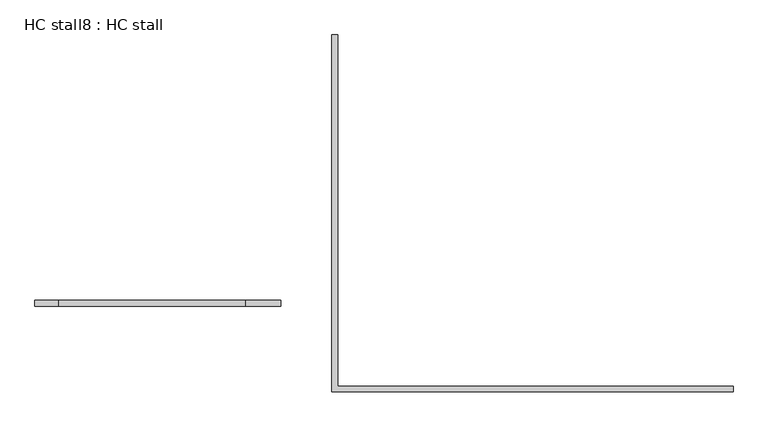
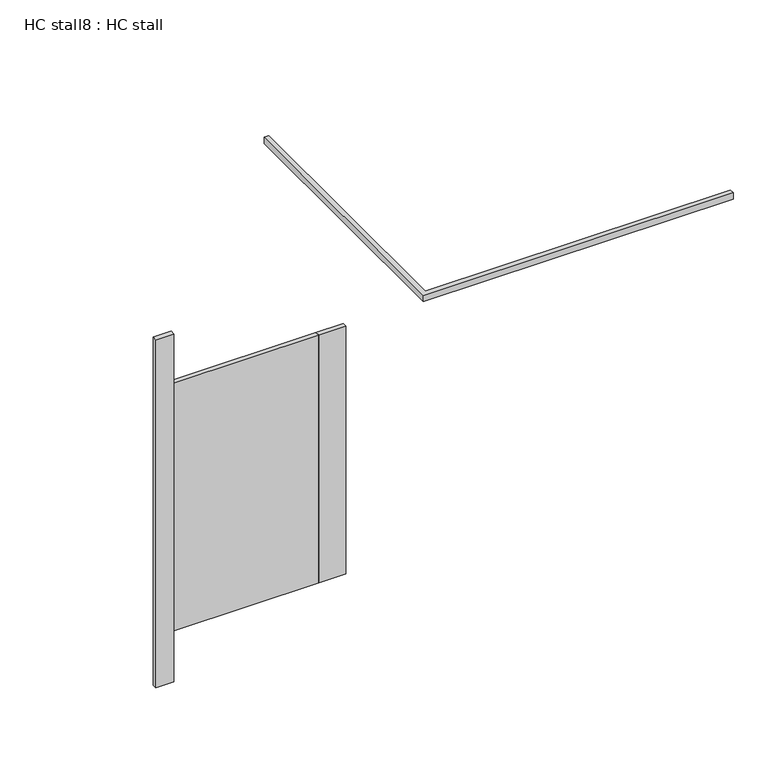
"""IFC4 building model written with IfcOpenShell, lengths in millimetres: proxy geometry, HC stall8 : HC stall."""

import ifcopenshell
import ifcopenshell.guid

model = None  # the IFC model being written
_history = None  # IfcOwnerHistory: only IFC2X3 demands one
_inside = {}  # id of a spatial element -> (the spatial element, [elements in it])
_under = {}  # id of a project, library or spatial element -> (it, [spatial elements below it])
_declared = {}  # id of a project -> (the project, [libraries it declares])
_typed = {}  # id of a type object -> (the type object, [elements of that type])
_made_of = {}  # id of a material, layer set ... -> (it, [elements and type objects made of it])


def new_model(schema):
    """Start an empty IFC model of exactly this schema.

    Asked for "IFC4X3", IfcOpenShell would pick the latest addendum, in which some entities
    have other attributes; the version numbers below select the first issue.
    IFC2X3 requires an IfcOwnerHistory on every rooted entity: one is made here for all.
    """
    global model, _history
    if schema == "IFC4X3":
        model = ifcopenshell.file(schema_version=(4, 3, 0, 0))
    else:
        model = ifcopenshell.file(schema=schema)
    _inside.clear()
    _under.clear()
    _declared.clear()
    _typed.clear()
    _made_of.clear()
    _history = None
    if model.schema == "IFC2X3":
        org = make("IfcOrganization", Name="unknown")
        user = make(
            "IfcPersonAndOrganization",
            ThePerson=make("IfcPerson", FamilyName="unknown"),
            TheOrganization=org,
        )
        app = make(
            "IfcApplication",
            ApplicationDeveloper=org,
            Version="unknown",
            ApplicationFullName="unknown",
            ApplicationIdentifier="unknown",
        )
        _history = make(
            "IfcOwnerHistory",
            OwningUser=user,
            OwningApplication=app,
            ChangeAction="ADDED",
            CreationDate=0,
        )
    return model


def make(cls, **values):
    """One entity of the class cls with the attributes given. An attribute that is None is left unset."""
    return model.create_entity(
        cls, **{name: value for name, value in values.items() if value is not None}
    )


def rooted(cls, **values):
    """An entity with a GlobalId (a new one), such as an element, a storey or a relation."""
    return make(cls, GlobalId=ifcopenshell.guid.new(), OwnerHistory=_history, **values)


def si_unit(unit_type, name, prefix=None):
    """IfcSIUnit, for example si_unit("LENGTHUNIT", "METRE", prefix="MILLI")."""
    return make("IfcSIUnit", UnitType=unit_type, Prefix=prefix, Name=name)


def assignment(units):
    """IfcUnitAssignment: the units of a project."""
    return None if units is None else make("IfcUnitAssignment", Units=units)


def point(xyz):
    """IfcCartesianPoint."""
    return None if xyz is None else make("IfcCartesianPoint", Coordinates=xyz)


def direction(xyz):
    """IfcDirection."""
    return None if xyz is None else make("IfcDirection", DirectionRatios=xyz)


def frame(location, z_axis=None, x_axis=None):
    """IfcAxis2Placement3D, a coordinate frame: its origin and axes. An axis left out is left unset."""
    return make(
        "IfcAxis2Placement3D",
        Location=point(location),
        Axis=direction(z_axis),
        RefDirection=direction(x_axis),
    )


def origin():
    """The frame at (0, 0, 0) with its axes left unset."""
    return frame((0.0, 0.0, 0.0))


def origin_with_axes():
    """The frame at (0, 0, 0) with the z axis (0, 0, 1) and the x axis (1, 0, 0) written out."""
    return frame((0.0, 0.0, 0.0), z_axis=(0.0, 0.0, 1.0), x_axis=(1.0, 0.0, 0.0))


def place(relative_to, where):
    """IfcLocalPlacement: puts the frame where relative to a parent placement (None: the world)."""
    return make(
        "IfcLocalPlacement", PlacementRelTo=relative_to, RelativePlacement=where
    )


def context(
    kind, dimensions, precision=None, world=None, true_north=None, identifier=None
):
    """IfcGeometricRepresentationContext, for example the 3D "Model" context."""
    return make(
        "IfcGeometricRepresentationContext",
        ContextIdentifier=identifier,
        ContextType=kind,
        CoordinateSpaceDimension=dimensions,
        Precision=precision,
        WorldCoordinateSystem=world,
        TrueNorth=true_north,
    )


def project(units=None, contexts=None):
    """IfcProject with its units and contexts."""
    return rooted(
        "IfcProject",
        Name="project",
        RepresentationContexts=contexts,
        UnitsInContext=assignment(units),
    )


def spatial(cls, under=None, at=None, **own):
    """A site, building, storey or space (cls), placed at a placement, below another one or the project."""
    s = rooted(cls, ObjectPlacement=at, **own)
    if under is not None:
        _under.setdefault(under.id(), (under, []))[1].append(s)
    return s


def polyline(points):
    """IfcPolyline through the points."""
    return make("IfcPolyline", Points=[point(p) for p in points])


def outline(outer, holes=None, kind="AREA"):
    """IfcArbitraryClosedProfileDef: a profile drawn as a closed curve; with holes, ...WithVoids."""
    if holes is None:
        return make("IfcArbitraryClosedProfileDef", ProfileType=kind, OuterCurve=outer)
    return make(
        "IfcArbitraryProfileDefWithVoids",
        ProfileType=kind,
        OuterCurve=outer,
        InnerCurves=holes,
    )


def extrude(swept, where, along, depth):
    """IfcExtrudedAreaSolid: the profile swept, set in the frame where, extruded along a direction by depth."""
    return make(
        "IfcExtrudedAreaSolid",
        SweptArea=swept,
        Position=where,
        ExtrudedDirection=direction(along),
        Depth=depth,
    )


def shape(context_of_items, identifier, shape_type, items):
    """IfcShapeRepresentation: the items that make up one representation, for example the "Body"."""
    return make(
        "IfcShapeRepresentation",
        ContextOfItems=context_of_items,
        RepresentationIdentifier=identifier,
        RepresentationType=shape_type,
        Items=items,
    )


def source(mapping_origin, context_of_items, identifier, shape_type, items):
    """IfcRepresentationMap: a shape defined once, which mapped items show again and again."""
    return make(
        "IfcRepresentationMap",
        MappingOrigin=mapping_origin,
        MappedRepresentation=shape(context_of_items, identifier, shape_type, items),
    )


def transform(
    local_origin,
    x_axis=None,
    y_axis=None,
    z_axis=None,
    scale=None,
    scale2=None,
    scale3=None,
    uniform=True,
):
    """IfcCartesianTransformationOperator3D, or its non-uniform kind. x_axis, y_axis, z_axis: its Axis1, 2, 3."""
    if uniform:
        return make(
            "IfcCartesianTransformationOperator3D",
            Axis1=direction(x_axis),
            Axis2=direction(y_axis),
            LocalOrigin=point(local_origin),
            Scale=scale,
            Axis3=direction(z_axis),
        )
    return make(
        "IfcCartesianTransformationOperator3DnonUniform",
        Axis1=direction(x_axis),
        Axis2=direction(y_axis),
        LocalOrigin=point(local_origin),
        Scale=scale,
        Axis3=direction(z_axis),
        Scale2=scale2,
        Scale3=scale3,
    )


def mapped(mapping_source, mapping_target):
    """IfcMappedItem: shows the shape of a source again, moved by a transform."""
    return make(
        "IfcMappedItem", MappingSource=mapping_source, MappingTarget=mapping_target
    )


def made_of(thing, what):
    """Note that an element or type object is made of a material, layer set ...; save() writes the relation."""
    if what is not None:
        _made_of.setdefault(what.id(), (what, []))[1].append(thing)
    return thing


def element(
    cls,
    number,
    at=None,
    inside=None,
    cuts=None,
    type_object=None,
    material=None,
    context=None,
    identifier="Body",
    shape_type=None,
    held_by="IfcProductDefinitionShape",
    body=None,
    shapes=None,
    **own,
):
    """One element of the class cls, such as IfcWall. Its Tag is "e" and its number.

    at: its placement. inside: the storey or other place that contains it. cuts: it is an
    opening in that element (IfcRelVoidsElement). A single representation is given by context,
    identifier, shape_type and body (its items); several are given by shapes. held_by: the class
    of the entity that holds the representations. save() writes the other relations.
    """
    e = rooted(cls, Tag="e%d" % number, ObjectPlacement=at, **own)
    if body is not None:
        shapes = [shape(context, identifier, shape_type, body)]
    if shapes is not None:
        e.Representation = make(held_by, Representations=shapes)
    if inside is not None:
        _inside.setdefault(inside.id(), (inside, []))[1].append(e)
    if cuts is not None:
        rooted(
            "IfcRelVoidsElement", RelatingBuildingElement=cuts, RelatedOpeningElement=e
        )
    if type_object is not None:
        _typed.setdefault(type_object.id(), (type_object, []))[1].append(e)
    return made_of(e, material)


def aggregate(whole, parts):
    """IfcRelAggregates: a whole, such as a stair, and the parts it consists of."""
    return rooted("IfcRelAggregates", RelatingObject=whole, RelatedObjects=parts)


def save(model, path):
    """Write the relations noted so far, then the file.

    IfcRelAggregates (storeys below a building ...), IfcRelContainedInSpatialStructure (elements
    in a storey), IfcRelDefinesByType, IfcRelAssociatesMaterial and IfcRelDeclares: one each for
    every whole, place, type object, material and project.
    """
    for whole, parts in _under.values():
        aggregate(whole, parts)
    for where, things in _inside.values():
        rooted(
            "IfcRelContainedInSpatialStructure",
            RelatedElements=things,
            RelatingStructure=where,
        )
    for kind, things in _typed.values():
        rooted("IfcRelDefinesByType", RelatedObjects=things, RelatingType=kind)
    for what, things in _made_of.values():
        rooted("IfcRelAssociatesMaterial", RelatedObjects=things, RelatingMaterial=what)
    for by, libraries in _declared.values():
        rooted("IfcRelDeclares", RelatingContext=by, RelatedDefinitions=libraries)
    model.write(path)


def hc_stall8_hc_stall_2a47e7ac(model_context):
    return source(origin(), model_context, "Body", "SweptSolid", [
        extrude(outline(polyline([(268638.9434444, -260122.2080223), (268486.5434444, -260122.2080223), (268486.5434444, -260096.8080223), (268638.9434444, -260096.8080223), (268638.9434444, -260122.2080223)])), frame((0.0, 0.0, 304.8), z_axis=(0.0, 0.0, 1.0), x_axis=(1.0, 0.0, 0.0)), (0.0, 0.0, 1.0), 1473.2),
        extrude(outline(polyline([(267673.7434444, -260096.8080223), (267673.7434444, -260122.2080223), (267572.1434444, -260122.2080223), (267572.1434444, -260096.8080223), (267673.7434444, -260096.8080223)])), origin_with_axes(), (0.0, 0.0, 1.0), 2070.1),
        extrude(outline(polyline([(268886.5934444, -260468.2830223), (270602.6809444, -260468.2830223), (270602.6809444, -260493.6830223), (268861.1934444, -260493.6830223), (268861.1934444, -258944.2830223), (268886.5934444, -258944.2830223), (268886.5934444, -260468.2830223)])), frame((0.0, 0.0, 2070.1), z_axis=(0.0, 0.0, 1.0), x_axis=(1.0, 0.0, 0.0)), (0.0, 0.0, 1.0), 38.1),
        extrude(outline(polyline([(268486.5434444, -260096.8080223), (268486.5434444, -260122.2080223), (267673.7434444, -260122.2080223), (267673.7434444, -260096.8080223), (268486.5434444, -260096.8080223)])), frame((0.0, 0.0, 304.8), z_axis=(0.0, 0.0, 1.0), x_axis=(1.0, 0.0, 0.0)), (0.0, 0.0, 1.0), 1473.2),
    ])


if __name__ == "__main__":
    model = new_model("IFC4")
    model_context = context("Model", 3, world=origin())
    ifc_project = project(units=[si_unit("LENGTHUNIT", "METRE", prefix="MILLI")], contexts=[model_context])
    site = spatial("IfcSite", under=ifc_project)
    building = spatial("IfcBuilding", under=site)
    placement = place(None, origin())
    hc_stall8_hc_stall_shape = hc_stall8_hc_stall_2a47e7ac(model_context)
    element("IfcBuildingElementProxy", 1, Name="HC stall8 : HC stall", ObjectType="HC stall8 : HC stall", at=placement, inside=building, context=model_context, shape_type="MappedRepresentation", body=[
        mapped(hc_stall8_hc_stall_shape, transform((0.0, 0.0, 0.0), x_axis=(1.0, 0.0, 0.0), y_axis=(0.0, 1.0, 0.0), z_axis=(0.0, 0.0, 1.0))),
    ])
    save(model, "model.ifc")
